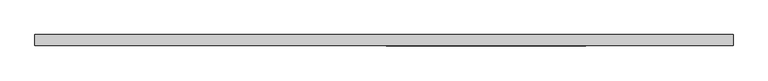
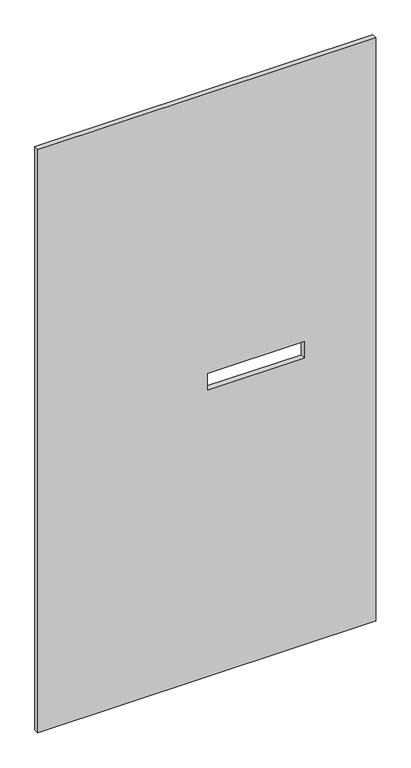
"""IFC4 building model written with IfcOpenShell, lengths in millimetres: proxy geometry."""

from ifc_helpers import new_model, si_unit, frame, origin, place, context, project, spatial, polyline, outline, extrude, source, transform, mapped, element, save


def specialty_equipment_bce483b2(model_context):
    return source(origin(), model_context, "Body", "SweptSolid", [
        extrude(outline(polyline([(2206.625, 603.2666441), (2206.625, -603.2666441), (3.175, -603.2666441), (3.175, 603.2666441), (2206.625, 603.2666441)]), holes=[polyline([(1148.715, 348.488), (1086.485, 348.488), (1086.485, 4.064), (1148.715, 4.064), (1148.715, 348.488)])]), frame((0.0, -9.525, 0.0), z_axis=(0.0, 1.0, 0.0), x_axis=(0.0, 0.0, 1.0)), (0.0, 0.0, 1.0), 19.05),
    ])


if __name__ == "__main__":
    model = new_model("IFC4")
    model_context = context("Model", 3, world=origin())
    ifc_project = project(units=[si_unit("LENGTHUNIT", "METRE", prefix="MILLI")], contexts=[model_context])
    site = spatial("IfcSite", under=ifc_project)
    building = spatial("IfcBuilding", under=site)
    placement = place(None, origin())
    specialty_equipment_shape = specialty_equipment_bce483b2(model_context)
    element("IfcBuildingElementProxy", 1, Name="Specialty Equipment", at=placement, inside=building, context=model_context, shape_type="MappedRepresentation", body=[
        mapped(specialty_equipment_shape, transform((0.0, 0.0, 0.0), x_axis=(1.0, 0.0, 0.0), y_axis=(0.0, 1.0, 0.0), z_axis=(0.0, 0.0, 1.0))),
    ])
    save(model, "model.ifc")
